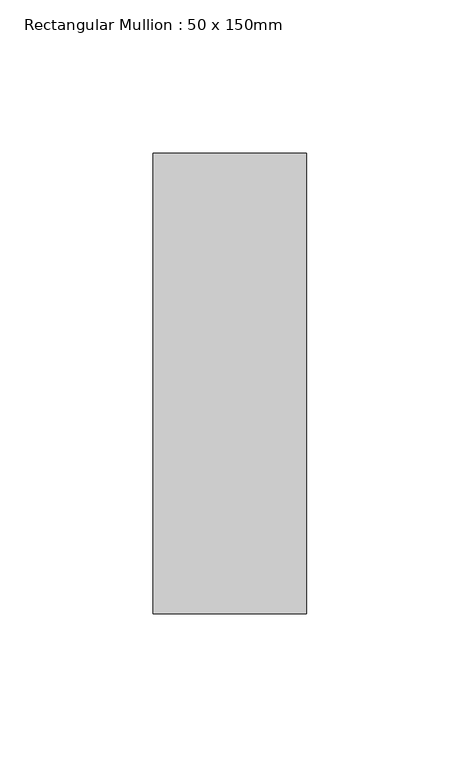
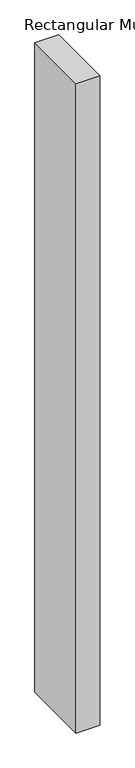
"""IFC4 building model written with IfcOpenShell, lengths in millimetres: member geometry, Rectangular Mullion : 50 x 150mm."""

import ifcopenshell
import ifcopenshell.guid

model = None  # the IFC model being written
_history = None  # IfcOwnerHistory: only IFC2X3 demands one
_inside = {}  # id of a spatial element -> (the spatial element, [elements in it])
_under = {}  # id of a project, library or spatial element -> (it, [spatial elements below it])
_declared = {}  # id of a project -> (the project, [libraries it declares])
_typed = {}  # id of a type object -> (the type object, [elements of that type])
_made_of = {}  # id of a material, layer set ... -> (it, [elements and type objects made of it])


def new_model(schema):
    """Start an empty IFC model of exactly this schema.

    Asked for "IFC4X3", IfcOpenShell would pick the latest addendum, in which some entities
    have other attributes; the version numbers below select the first issue.
    IFC2X3 requires an IfcOwnerHistory on every rooted entity: one is made here for all.
    """
    global model, _history
    if schema == "IFC4X3":
        model = ifcopenshell.file(schema_version=(4, 3, 0, 0))
    else:
        model = ifcopenshell.file(schema=schema)
    _inside.clear()
    _under.clear()
    _declared.clear()
    _typed.clear()
    _made_of.clear()
    _history = None
    if model.schema == "IFC2X3":
        org = make("IfcOrganization", Name="unknown")
        user = make(
            "IfcPersonAndOrganization",
            ThePerson=make("IfcPerson", FamilyName="unknown"),
            TheOrganization=org,
        )
        app = make(
            "IfcApplication",
            ApplicationDeveloper=org,
            Version="unknown",
            ApplicationFullName="unknown",
            ApplicationIdentifier="unknown",
        )
        _history = make(
            "IfcOwnerHistory",
            OwningUser=user,
            OwningApplication=app,
            ChangeAction="ADDED",
            CreationDate=0,
        )
    return model


def make(cls, **values):
    """One entity of the class cls with the attributes given. An attribute that is None is left unset."""
    return model.create_entity(
        cls, **{name: value for name, value in values.items() if value is not None}
    )


def rooted(cls, **values):
    """An entity with a GlobalId (a new one), such as an element, a storey or a relation."""
    return make(cls, GlobalId=ifcopenshell.guid.new(), OwnerHistory=_history, **values)


def si_unit(unit_type, name, prefix=None):
    """IfcSIUnit, for example si_unit("LENGTHUNIT", "METRE", prefix="MILLI")."""
    return make("IfcSIUnit", UnitType=unit_type, Prefix=prefix, Name=name)


def assignment(units):
    """IfcUnitAssignment: the units of a project."""
    return None if units is None else make("IfcUnitAssignment", Units=units)


def point(xyz):
    """IfcCartesianPoint."""
    return None if xyz is None else make("IfcCartesianPoint", Coordinates=xyz)


def direction(xyz):
    """IfcDirection."""
    return None if xyz is None else make("IfcDirection", DirectionRatios=xyz)


def frame(location, z_axis=None, x_axis=None):
    """IfcAxis2Placement3D, a coordinate frame: its origin and axes. An axis left out is left unset."""
    return make(
        "IfcAxis2Placement3D",
        Location=point(location),
        Axis=direction(z_axis),
        RefDirection=direction(x_axis),
    )


def origin():
    """The frame at (0, 0, 0) with its axes left unset."""
    return frame((0.0, 0.0, 0.0))


def place(relative_to, where):
    """IfcLocalPlacement: puts the frame where relative to a parent placement (None: the world)."""
    return make(
        "IfcLocalPlacement", PlacementRelTo=relative_to, RelativePlacement=where
    )


def context(
    kind, dimensions, precision=None, world=None, true_north=None, identifier=None
):
    """IfcGeometricRepresentationContext, for example the 3D "Model" context."""
    return make(
        "IfcGeometricRepresentationContext",
        ContextIdentifier=identifier,
        ContextType=kind,
        CoordinateSpaceDimension=dimensions,
        Precision=precision,
        WorldCoordinateSystem=world,
        TrueNorth=true_north,
    )


def project(units=None, contexts=None):
    """IfcProject with its units and contexts."""
    return rooted(
        "IfcProject",
        Name="project",
        RepresentationContexts=contexts,
        UnitsInContext=assignment(units),
    )


def spatial(cls, under=None, at=None, **own):
    """A site, building, storey or space (cls), placed at a placement, below another one or the project."""
    s = rooted(cls, ObjectPlacement=at, **own)
    if under is not None:
        _under.setdefault(under.id(), (under, []))[1].append(s)
    return s


def polyline(points):
    """IfcPolyline through the points."""
    return make("IfcPolyline", Points=[point(p) for p in points])


def outline(outer, holes=None, kind="AREA"):
    """IfcArbitraryClosedProfileDef: a profile drawn as a closed curve; with holes, ...WithVoids."""
    if holes is None:
        return make("IfcArbitraryClosedProfileDef", ProfileType=kind, OuterCurve=outer)
    return make(
        "IfcArbitraryProfileDefWithVoids",
        ProfileType=kind,
        OuterCurve=outer,
        InnerCurves=holes,
    )


def extrude(swept, where, along, depth):
    """IfcExtrudedAreaSolid: the profile swept, set in the frame where, extruded along a direction by depth."""
    return make(
        "IfcExtrudedAreaSolid",
        SweptArea=swept,
        Position=where,
        ExtrudedDirection=direction(along),
        Depth=depth,
    )


def shape(context_of_items, identifier, shape_type, items):
    """IfcShapeRepresentation: the items that make up one representation, for example the "Body"."""
    return make(
        "IfcShapeRepresentation",
        ContextOfItems=context_of_items,
        RepresentationIdentifier=identifier,
        RepresentationType=shape_type,
        Items=items,
    )


def source(mapping_origin, context_of_items, identifier, shape_type, items):
    """IfcRepresentationMap: a shape defined once, which mapped items show again and again."""
    return make(
        "IfcRepresentationMap",
        MappingOrigin=mapping_origin,
        MappedRepresentation=shape(context_of_items, identifier, shape_type, items),
    )


def transform(
    local_origin,
    x_axis=None,
    y_axis=None,
    z_axis=None,
    scale=None,
    scale2=None,
    scale3=None,
    uniform=True,
):
    """IfcCartesianTransformationOperator3D, or its non-uniform kind. x_axis, y_axis, z_axis: its Axis1, 2, 3."""
    if uniform:
        return make(
            "IfcCartesianTransformationOperator3D",
            Axis1=direction(x_axis),
            Axis2=direction(y_axis),
            LocalOrigin=point(local_origin),
            Scale=scale,
            Axis3=direction(z_axis),
        )
    return make(
        "IfcCartesianTransformationOperator3DnonUniform",
        Axis1=direction(x_axis),
        Axis2=direction(y_axis),
        LocalOrigin=point(local_origin),
        Scale=scale,
        Axis3=direction(z_axis),
        Scale2=scale2,
        Scale3=scale3,
    )


def mapped(mapping_source, mapping_target):
    """IfcMappedItem: shows the shape of a source again, moved by a transform."""
    return make(
        "IfcMappedItem", MappingSource=mapping_source, MappingTarget=mapping_target
    )


def made_of(thing, what):
    """Note that an element or type object is made of a material, layer set ...; save() writes the relation."""
    if what is not None:
        _made_of.setdefault(what.id(), (what, []))[1].append(thing)
    return thing


def element(
    cls,
    number,
    at=None,
    inside=None,
    cuts=None,
    type_object=None,
    material=None,
    context=None,
    identifier="Body",
    shape_type=None,
    held_by="IfcProductDefinitionShape",
    body=None,
    shapes=None,
    **own,
):
    """One element of the class cls, such as IfcWall. Its Tag is "e" and its number.

    at: its placement. inside: the storey or other place that contains it. cuts: it is an
    opening in that element (IfcRelVoidsElement). A single representation is given by context,
    identifier, shape_type and body (its items); several are given by shapes. held_by: the class
    of the entity that holds the representations. save() writes the other relations.
    """
    e = rooted(cls, Tag="e%d" % number, ObjectPlacement=at, **own)
    if body is not None:
        shapes = [shape(context, identifier, shape_type, body)]
    if shapes is not None:
        e.Representation = make(held_by, Representations=shapes)
    if inside is not None:
        _inside.setdefault(inside.id(), (inside, []))[1].append(e)
    if cuts is not None:
        rooted(
            "IfcRelVoidsElement", RelatingBuildingElement=cuts, RelatedOpeningElement=e
        )
    if type_object is not None:
        _typed.setdefault(type_object.id(), (type_object, []))[1].append(e)
    return made_of(e, material)


def aggregate(whole, parts):
    """IfcRelAggregates: a whole, such as a stair, and the parts it consists of."""
    return rooted("IfcRelAggregates", RelatingObject=whole, RelatedObjects=parts)


def save(model, path):
    """Write the relations noted so far, then the file.

    IfcRelAggregates (storeys below a building ...), IfcRelContainedInSpatialStructure (elements
    in a storey), IfcRelDefinesByType, IfcRelAssociatesMaterial and IfcRelDeclares: one each for
    every whole, place, type object, material and project.
    """
    for whole, parts in _under.values():
        aggregate(whole, parts)
    for where, things in _inside.values():
        rooted(
            "IfcRelContainedInSpatialStructure",
            RelatedElements=things,
            RelatingStructure=where,
        )
    for kind, things in _typed.values():
        rooted("IfcRelDefinesByType", RelatedObjects=things, RelatingType=kind)
    for what, things in _made_of.values():
        rooted("IfcRelAssociatesMaterial", RelatedObjects=things, RelatingMaterial=what)
    for by, libraries in _declared.values():
        rooted("IfcRelDeclares", RelatingContext=by, RelatedDefinitions=libraries)
    model.write(path)


def rectangular_mullion_50_x_150mm_5a145be0(model_context):
    return source(origin(), model_context, "Body", "SweptSolid", [
        extrude(outline(polyline([(0.0, 75.0), (0.0, -75.0), (-50.0, -75.0), (-50.0, 75.0), (0.0, 75.0)])), frame((0.0, 0.0, -1450.0), z_axis=(0.0, 0.0, 1.0), x_axis=(1.0, 0.0, 0.0)), (0.0, 0.0, 1.0), 1450.0),
    ])


if __name__ == "__main__":
    model = new_model("IFC4")
    model_context = context("Model", 3, world=origin())
    ifc_project = project(units=[si_unit("LENGTHUNIT", "METRE", prefix="MILLI")], contexts=[model_context])
    site = spatial("IfcSite", under=ifc_project)
    building = spatial("IfcBuilding", under=site)
    placement = place(None, origin())
    rectangular_mullion_50_x_150mm_shape = rectangular_mullion_50_x_150mm_5a145be0(model_context)
    element("IfcMember", 1, ObjectType="Rectangular Mullion : 50 x 150mm", at=placement, inside=building, context=model_context, shape_type="MappedRepresentation", body=[
        mapped(rectangular_mullion_50_x_150mm_shape, transform((0.0, 0.0, 0.0), x_axis=(1.0, 0.0, 0.0), y_axis=(0.0, 1.0, 0.0), z_axis=(0.0, 0.0, 1.0))),
    ])
    save(model, "model.ifc")
